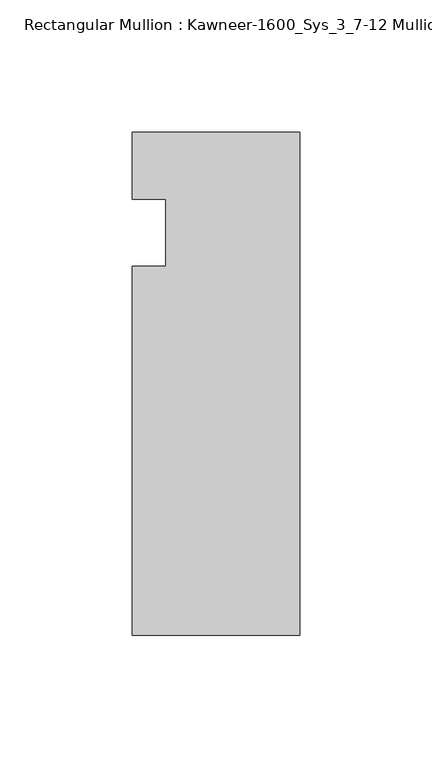
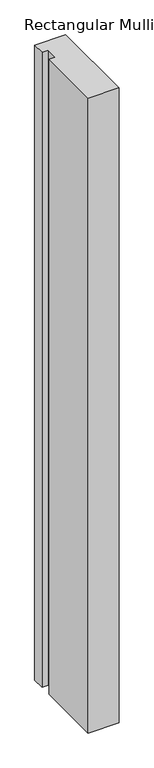
"""IFC4 building model written with IfcOpenShell, lengths in millimetres: member geometry, Rectangular Mullion : Kawneer-1600_Sys_3_7-12 Mullion_Head."""

from ifc_helpers import new_model, si_unit, frame, origin, place, context, project, spatial, polyline, outline, extrude, source, transform, mapped, element, save


def rectangular_mullion_kawneer_1600_sys_3_7_12_mullion_head_9bb5fb87(model_context):
    return source(origin(), model_context, "Body", "SweptSolid", [
        extrude(outline(polyline([(-63.5, -152.4), (-63.5, -12.7), (-50.7982296, -12.7), (-50.7982296, 12.7), (-63.5, 12.7), (-63.5, 38.1), (0.0, 38.1), (0.0, -152.4), (-63.5, -152.4)])), frame((0.0, 0.0, -1382.2844027), z_axis=(0.0, 0.0, 1.0), x_axis=(1.0, 0.0, 0.0)), (0.0, 0.0, 1.0), 1382.2844027),
    ])


if __name__ == "__main__":
    model = new_model("IFC4")
    model_context = context("Model", 3, world=origin())
    ifc_project = project(units=[si_unit("LENGTHUNIT", "METRE", prefix="MILLI")], contexts=[model_context])
    site = spatial("IfcSite", under=ifc_project)
    building = spatial("IfcBuilding", under=site)
    placement = place(None, origin())
    rectangular_mullion_kawneer_1600_sys_3_7_12_mullion_head_shape = rectangular_mullion_kawneer_1600_sys_3_7_12_mullion_head_9bb5fb87(model_context)
    element("IfcMember", 1, ObjectType="Rectangular Mullion : Kawneer-1600_Sys_3_7-12 Mullion_Head", at=placement, inside=building, context=model_context, shape_type="MappedRepresentation", body=[
        mapped(rectangular_mullion_kawneer_1600_sys_3_7_12_mullion_head_shape, transform((0.0, 0.0, 0.0), x_axis=(1.0, 0.0, 0.0), y_axis=(0.0, 1.0, 0.0), z_axis=(0.0, 0.0, 1.0))),
    ])
    save(model, "model.ifc")
